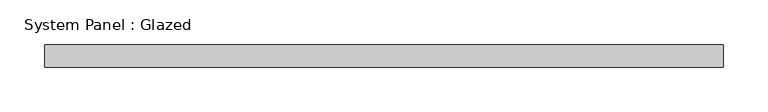
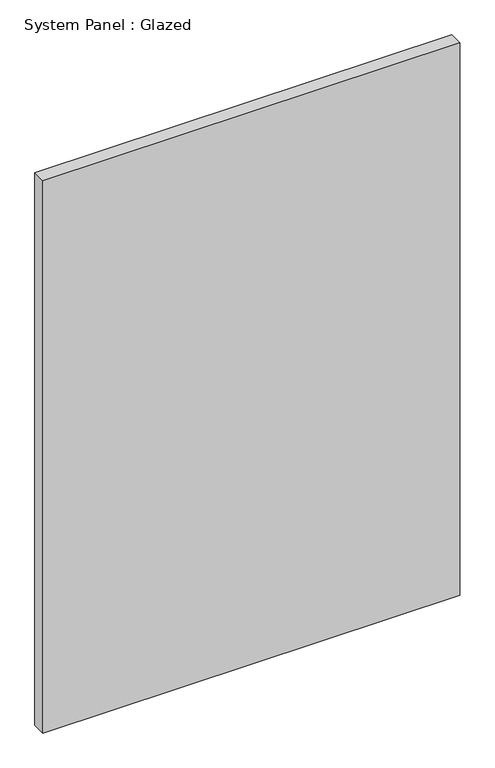
"""IFC4 building model written with IfcOpenShell, lengths in millimetres: plate geometry, System Panel : Glazed."""

from ifc_helpers import new_model, si_unit, origin, origin_with_axes, place, context, project, spatial, polyline, outline, extrude, source, transform, mapped, element, save


def system_panel_glazed_13a657b0(model_context):
    return source(origin(), model_context, "Body", "SweptSolid", [
        extrude(outline(polyline([(381.0, -12.7), (-381.0, -12.7), (-381.0, 12.7), (381.0, 12.7), (381.0, -12.7)])), origin_with_axes(), (0.0, 0.0, 1.0), 1066.8),
    ])


if __name__ == "__main__":
    model = new_model("IFC4")
    model_context = context("Model", 3, world=origin())
    ifc_project = project(units=[si_unit("LENGTHUNIT", "METRE", prefix="MILLI")], contexts=[model_context])
    site = spatial("IfcSite", under=ifc_project)
    building = spatial("IfcBuilding", under=site)
    placement = place(None, origin())
    system_panel_glazed_shape = system_panel_glazed_13a657b0(model_context)
    element("IfcPlate", 1, ObjectType="System Panel : Glazed", at=placement, inside=building, context=model_context, shape_type="MappedRepresentation", body=[
        mapped(system_panel_glazed_shape, transform((0.0, 0.0, 0.0), x_axis=(1.0, 0.0, 0.0), y_axis=(0.0, 1.0, 0.0), z_axis=(0.0, 0.0, 1.0))),
    ])
    save(model, "model.ifc")
